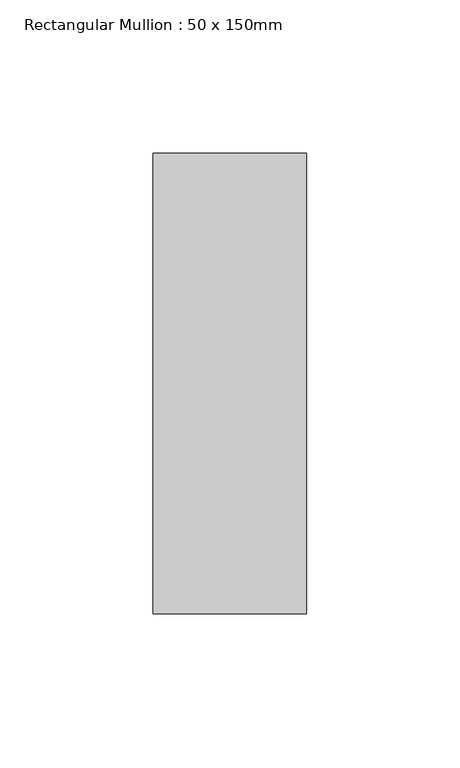
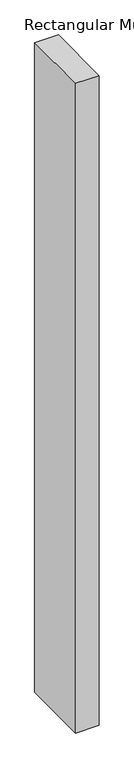
"""IFC4 building model written with IfcOpenShell, lengths in millimetres: member geometry, Rectangular Mullion : 50 x 150mm."""

from ifc_helpers import new_model, si_unit, frame, origin, place, context, project, spatial, polyline, outline, extrude, source, transform, mapped, element, save


def rectangular_mullion_50_x_150mm_33606231(model_context):
    return source(origin(), model_context, "Body", "SweptSolid", [
        extrude(outline(polyline([(25.0, 75.0), (25.0, -75.0), (-25.0, -75.0), (-25.0, 75.0), (25.0, 75.0)])), frame((0.0, 0.0, -1452.9872634), z_axis=(0.0, 0.0, 1.0), x_axis=(1.0, 0.0, 0.0)), (0.0, 0.0, 1.0), 1452.9872634),
    ])


if __name__ == "__main__":
    model = new_model("IFC4")
    model_context = context("Model", 3, world=origin())
    ifc_project = project(units=[si_unit("LENGTHUNIT", "METRE", prefix="MILLI")], contexts=[model_context])
    site = spatial("IfcSite", under=ifc_project)
    building = spatial("IfcBuilding", under=site)
    placement = place(None, origin())
    rectangular_mullion_50_x_150mm_shape = rectangular_mullion_50_x_150mm_33606231(model_context)
    element("IfcMember", 1, ObjectType="Rectangular Mullion : 50 x 150mm", at=placement, inside=building, context=model_context, shape_type="MappedRepresentation", body=[
        mapped(rectangular_mullion_50_x_150mm_shape, transform((0.0, 0.0, 0.0), x_axis=(1.0, 0.0, 0.0), y_axis=(0.0, 1.0, 0.0), z_axis=(0.0, 0.0, 1.0))),
    ])
    save(model, "model.ifc")
